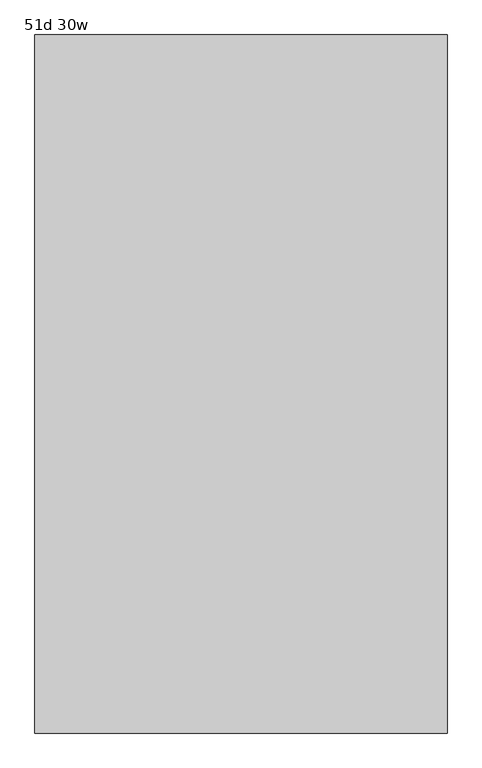
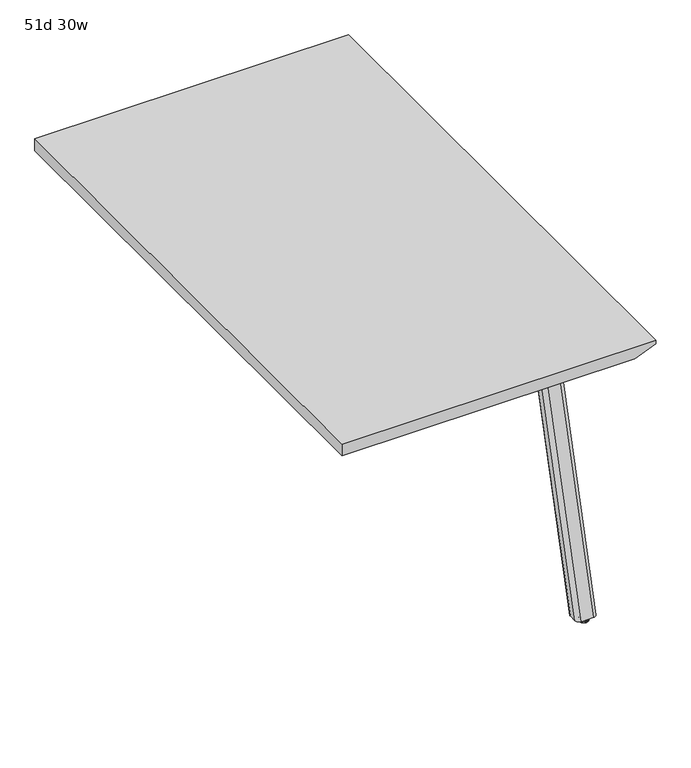
"""IFC4 building model written with IfcOpenShell, lengths in millimetres: furniture geometry, 51d 30w."""

from ifc_helpers import new_model, si_unit, point, frame, frame_2d, origin, place, context, project, spatial, polyline, circle_curve, ellipse_curve, trimmed, segment, composite_curve, outline, extrude, source, transform, mapped, element, save
from ifc_brep_helpers import plane_surface, cylinder_surface, revolved_surface, extruded_surface, advanced_brep


def furniture_51d_30w_7cb218d9(model_context):
    return source(origin(), model_context, "Body", "SolidModel", [
        extrude(outline(composite_curve([segment(polyline([(396.8908754, -1118.8587974), (504.0471246, -1118.8587974)]), True, "CONTINUOUS"), segment(trimmed(circle_curve(frame_2d((504.0471246, -1128.7806724)), 9.921875), [point((504.0471246, -1118.8587974))], [point((513.9689996, -1128.7806724))], False, "CARTESIAN"), True, "CONTINUOUS"), segment(polyline([(513.9689996, -1128.7806724), (513.9689996, -1210.5369163)]), True, "CONTINUOUS"), segment(trimmed(circle_curve(frame_2d((504.0471246, -1210.5369163)), 9.921875), [point((513.9689996, -1210.5369163))], [point((504.0471246, -1220.4587913))], False, "CARTESIAN"), True, "CONTINUOUS"), segment(polyline([(504.0471246, -1220.4587913), (396.8908754, -1220.4587913)]), True, "CONTINUOUS"), segment(trimmed(circle_curve(frame_2d((396.8908754, -1210.5369163)), 9.921875), [point((396.8908754, -1220.4587913))], [point((386.9690004, -1210.5369163))], False, "CARTESIAN"), True, "CONTINUOUS"), segment(polyline([(386.9690004, -1210.5369163), (386.9690004, -1128.7806724)]), True, "CONTINUOUS"), segment(trimmed(circle_curve(frame_2d((396.8908754, -1128.7806724)), 9.921875), [point((386.9690004, -1128.7806724))], [point((396.8908754, -1118.8587974))], False, "CARTESIAN"), True, "CONTINUOUS")], self_intersect=False)), frame((0.0, 0.0, 705.2055984), z_axis=(0.0, 0.0, 1.0), x_axis=(1.0, 0.0, 0.0)), (0.0, 0.0, 1.0), 5.9944016),
        advanced_brep(
        [(506.1270371, -1185.1941016, 705.2055984), (459.0729629, -1185.1941016, 705.2055984), (457.5809603, -1186.6861042, 705.2055984), (457.5809603, -1205.4969272, 705.2055984), (467.5028353, -1215.4188022, 705.2055984), (497.6971647, -1215.4188022, 705.2055984), (507.6190397, -1205.4969272, 705.2055984), (507.6190397, -1186.6861042, 705.2055984), (506.1270371, -1370.3899744, 10.7173168), (507.6190397, -1371.881977, 10.7173168), (507.6190397, -1391.5691016, 10.7173168), (497.6971647, -1401.4909766, 10.7173168), (467.5028353, -1401.4909766, 10.7173168), (457.5809603, -1391.5691016, 10.7173168), (457.5809603, -1371.881977, 10.7173168), (459.0729629, -1370.3899744, 10.7173168)],
        [
            (0, 1),
            (1, 2, circle_curve(frame((459.0729629, -1186.6861042, 705.2055984), z_axis=(0.0, 0.0, 1.0), x_axis=(-1.0, 0.0, 0.0)), 1.4920026)),
            (2, 3),
            (3, 4, circle_curve(frame((467.5028353, -1205.4969272, 705.2055984), z_axis=(0.0, 0.0, 1.0), x_axis=(-1.0, 0.0, 0.0)), 9.921875)),
            (4, 5),
            (5, 6, circle_curve(frame((497.6971647, -1205.4969272, 705.2055984), z_axis=(0.0, 0.0, 1.0), x_axis=(-1.0, 0.0, 0.0)), 9.921875)),
            (6, 7),
            (7, 0, circle_curve(frame((506.1270371, -1186.6861042, 705.2055984), z_axis=(0.0, 0.0, 1.0), x_axis=(-1.0, 0.0, 0.0)), 1.4920026)),
            (8, 9, circle_curve(frame((506.1270371, -1371.881977, 10.7173168), z_axis=(0.0, 0.0, -1.0), x_axis=(-1.0, 0.0, 0.0)), 1.4920026)),
            (9, 10),
            (10, 11, circle_curve(frame((497.6971647, -1391.5691016, 10.7173168), z_axis=(0.0, 0.0, -1.0), x_axis=(-1.0, 0.0, 0.0)), 9.921875)),
            (11, 12),
            (12, 13, circle_curve(frame((467.5028353, -1391.5691016, 10.7173168), z_axis=(0.0, 0.0, -1.0), x_axis=(-1.0, 0.0, 0.0)), 9.921875)),
            (13, 14),
            (14, 15, circle_curve(frame((459.0729629, -1371.881977, 10.7173168), z_axis=(0.0, 0.0, -1.0), x_axis=(-1.0, 0.0, 0.0)), 1.4920026)),
            (15, 8),
            (8, 0),
            (7, 9),
            (6, 10),
            (5, 11),
            (4, 12),
            (3, 13),
            (2, 14),
            (1, 15),
        ],
        [
            plane_surface(frame((482.6, -1198.1989838, 705.2055984), z_axis=(0.0, 0.0, 1.0), x_axis=(1.0, 0.0, 0.0))),
            plane_surface(frame((482.6, -1383.8330074, 10.7173168), z_axis=(0.0, 0.0, -1.0), x_axis=(1.0, 0.0, 0.0))),
            extruded_surface(trimmed(circle_curve(frame((506.1270371, -1186.6861042, 705.2055984), z_axis=(0.0, 0.0, -1.0), x_axis=(-1.0, 0.0, 0.0)), 1.4920026), [point((506.1270371, -1185.1941016, 705.2055984))], [point((507.6190397, -1186.6861042, 705.2055984))], True, "CARTESIAN"), (0.0, -185.19587279999996, -694.4882815999999), 718.7569022846839),
            plane_surface(frame((507.6190397, -1381.7255393, 10.7173168), z_axis=(1.0, 0.0, 0.0), x_axis=(0.0, -1.0, 0.0))),
            extruded_surface(trimmed(circle_curve(frame((497.6971647, -1205.4969272, 705.2055984), z_axis=(0.0, 0.0, -1.0), x_axis=(-1.0, 0.0, 0.0)), 9.921875), [point((507.6190397, -1205.4969272, 705.2055984))], [point((497.6971647, -1215.4188022, 705.2055984))], True, "CARTESIAN"), (0.0, -186.0721744, -694.4882815999999), 718.9831899047882),
            plane_surface(frame((482.6, -1401.4909766, 10.7173168), z_axis=(0.0, -0.9659311808061944, 0.2587990609456514), x_axis=(-1.0, 0.0, 0.0))),
            extruded_surface(trimmed(circle_curve(frame((467.5028353, -1205.4969272, 705.2055984), z_axis=(0.0, 0.0, -1.0), x_axis=(-1.0, 0.0, 0.0)), 9.921875), [point((467.5028353, -1215.4188022, 705.2055984))], [point((457.5809603, -1205.4969272, 705.2055984))], True, "CARTESIAN"), (0.0, -186.0721744, -694.4882815999999), 718.9831899047882),
            plane_surface(frame((457.5809603, -1381.7255393, 10.7173168), z_axis=(-1.0, 0.0, 0.0), x_axis=(0.0, 1.0, 0.0))),
            extruded_surface(trimmed(circle_curve(frame((459.0729629, -1186.6861042, 705.2055984), z_axis=(0.0, 0.0, -1.0), x_axis=(-1.0, 0.0, 0.0)), 1.4920026), [point((457.5809603, -1186.6861042, 705.2055984))], [point((459.0729629, -1185.1941016, 705.2055984))], True, "CARTESIAN"), (0.0, -185.19587279999996, -694.4882815999999), 718.7569022846839),
            plane_surface(frame((482.6, -1370.3899744, 10.7173168), z_axis=(0.0, 0.9662352867758855, -0.2576613486519124), x_axis=(1.0, 0.0, 0.0))),
        ],
        [
            (0, [[1, 2, 3, 4, 5, 6, 7, 8]]),
            (1, [[9, 10, 11, 12, 13, 14, 15, 16]]),
            (2, [[17, -8, 18, -9]]),
            (3, [[-18, -7, 19, -10]]),
            (4, [[-19, -6, 20, -11]]),
            (5, [[-20, -5, 21, -12]]),
            (6, [[-21, -4, 22, -13]]),
            (7, [[-22, -3, 23, -14]]),
            (8, [[-23, -2, 24, -15]]),
            (9, [[-24, -1, -17, -16]]),
        ],
    ),
        advanced_brep(
        [(486.5999739, -1385.6159766, 35.0000007), (482.6, -1385.6159766, 35.0000007), (478.6000261, -1385.6159766, 35.0000007), (486.5999739, -1385.6159766, 5.0000003), (478.6000261, -1385.6159766, 5.0000003), (492.8062326, -1385.6159766, 5.0000003), (472.3937674, -1385.6159766, 5.0000003), (493.5999826, -1385.6159766, 4.2062503), (471.6000174, -1385.6159766, 4.2062503), (493.5999826, -1385.6159766, 0.79375), (471.6000174, -1385.6159766, 0.79375), (492.8062326, -1385.6159766, 0.0), (472.3937674, -1385.6159766, 0.0), (482.6, -1385.6159766, 0.0)],
        [
            (0, 1),
            (1, 2),
            (2, 0, circle_curve(frame((482.6, -1385.6159766, 35.0000007), z_axis=(0.0, 0.0, 1.0), x_axis=(-1.0000000000000004, 0.0, 0.0)), 3.9999739)),
            (0, 2, circle_curve(frame((482.6, -1385.6159766, 35.0000007), z_axis=(0.0, 0.0, 1.0), x_axis=(-1.0000000000000004, 0.0, 0.0)), 3.9999739)),
            (3, 0),
            (2, 4),
            (4, 3, circle_curve(frame((482.6, -1385.6159766, 5.0000003), z_axis=(0.0, 0.0, 1.0), x_axis=(-1.0000000000000004, 0.0, 0.0)), 3.9999739)),
            (3, 4, circle_curve(frame((482.6, -1385.6159766, 5.0000003), z_axis=(0.0, 0.0, 1.0), x_axis=(-1.0000000000000004, 0.0, 0.0)), 3.9999739)),
            (5, 3),
            (4, 6),
            (6, 5, circle_curve(frame((482.6, -1385.6159766, 5.0000003), z_axis=(0.0, 0.0, 1.0), x_axis=(-1.0000000000000004, 0.0, 0.0)), 10.2062326)),
            (5, 6, circle_curve(frame((482.6, -1385.6159766, 5.0000003), z_axis=(0.0, 0.0, 1.0), x_axis=(-1.0000000000000004, 0.0, 0.0)), 10.2062326)),
            (7, 5, circle_curve(frame((492.8062326, -1385.6159766, 4.2062503), z_axis=(0.0, -1.0000000000000004, 0.0), x_axis=(0.0, 0.0, -1.0)), 0.79375)),
            (6, 8, circle_curve(frame((472.3937674, -1385.6159766, 4.2062503), z_axis=(0.0, -1.0000000000000004, 0.0), x_axis=(0.0, 0.0, -1.0)), 0.79375)),
            (8, 7, circle_curve(frame((482.6, -1385.6159766, 4.2062503), z_axis=(0.0, 0.0, 1.0), x_axis=(-1.0000000000000004, 0.0, 0.0)), 10.9999826)),
            (7, 8, circle_curve(frame((482.6, -1385.6159766, 4.2062503), z_axis=(0.0, 0.0, 1.0), x_axis=(-1.0000000000000004, 0.0, 0.0)), 10.9999826)),
            (9, 7),
            (8, 10),
            (10, 9, circle_curve(frame((482.6, -1385.6159766, 0.79375), z_axis=(0.0, 0.0, 1.0), x_axis=(-1.0000000000000004, 0.0, 0.0)), 10.9999826)),
            (9, 10, circle_curve(frame((482.6, -1385.6159766, 0.79375), z_axis=(0.0, 0.0, 1.0), x_axis=(-1.0000000000000004, 0.0, 0.0)), 10.9999826)),
            (11, 9, circle_curve(frame((492.8062326, -1385.6159766, 0.79375), z_axis=(0.0, -1.0000000000000004, 0.0), x_axis=(0.0, 0.0, -1.0)), 0.79375)),
            (10, 12, circle_curve(frame((472.3937674, -1385.6159766, 0.79375), z_axis=(0.0, -1.0000000000000004, 0.0), x_axis=(0.0, 0.0, -1.0)), 0.79375)),
            (12, 11, circle_curve(frame((482.6, -1385.6159766, 0.0), z_axis=(0.0, 0.0, 1.0), x_axis=(-1.0000000000000004, 0.0, 0.0)), 10.2062326)),
            (11, 12, circle_curve(frame((482.6, -1385.6159766, 0.0), z_axis=(0.0, 0.0, 1.0), x_axis=(-1.0000000000000004, 0.0, 0.0)), 10.2062326)),
            (13, 11),
            (12, 13),
        ],
        [
            plane_surface(frame((482.6, -1385.6159766, 35.0000007), z_axis=(0.0, 0.0, 1.0), x_axis=(-1.0, 0.0, 0.0))),
            cylinder_surface(frame((482.6, -1385.6159766, 52.3860264), z_axis=(0.0, 0.0, -1.0), x_axis=(-1.0000000000000004, 0.0, 0.0)), 3.9999739),
            plane_surface(frame((482.6, -1385.6159766, 5.0000003), z_axis=(0.0, 0.0, 1.0), x_axis=(-1.0, 0.0, 0.0))),
            revolved_surface(trimmed(ellipse_curve(frame((472.3937674, -1385.6159766, 4.2062503), z_axis=(0.0, -1.0000000000000004, 0.0), x_axis=(0.0, 0.0, -1.0)), 0.79375, 0.79375), [point((472.3937674, -1385.6159766, 5.0000003))], [point((471.6000174, -1385.6159766, 4.2062503))], True, "CARTESIAN"), (482.6, -1385.6159766, 52.3860264), (0.0, 0.0, -1.0)),
            cylinder_surface(frame((482.6, -1385.6159766, 52.3860264), z_axis=(0.0, 0.0, -1.0), x_axis=(-1.0000000000000004, 0.0, 0.0)), 10.9999826),
            revolved_surface(trimmed(ellipse_curve(frame((472.3937674, -1385.6159766, 0.79375), z_axis=(0.0, -1.0000000000000004, 0.0), x_axis=(0.0, 0.0, -1.0)), 0.79375, 0.79375), [point((471.6000174, -1385.6159766, 0.79375))], [point((472.3937674, -1385.6159766, 0.0))], True, "CARTESIAN"), (482.6, -1385.6159766, 52.3860264), (0.0, 0.0, -1.0)),
            plane_surface(frame((482.6, -1385.6159766, 0.0), z_axis=(0.0, 0.0, -1.0), x_axis=(-1.0, 0.0, 0.0))),
        ],
        [
            (0, [[1, 2, 3]]),
            (0, [[-2, -1, 4]]),
            (1, [[5, -3, 6, 7]]),
            (1, [[-6, -4, -5, 8]]),
            (2, [[9, -7, 10, 11]]),
            (2, [[-10, -8, -9, 12]]),
            (3, [[13, -11, 14, 15]]),
            (3, [[-14, -12, -13, 16]]),
            (4, [[17, -15, 18, 19]]),
            (4, [[-18, -16, -17, 20]]),
            (5, [[21, -19, 22, 23]]),
            (5, [[-22, -20, -21, 24]]),
            (6, [[25, -23, 26]]),
            (6, [[-26, -24, -25]]),
        ],
    ),
        extrude(outline(composite_curve([segment(trimmed(circle_curve(frame_2d((396.8908754, -561.3637807)), 9.921875), [point((396.8908754, -571.2856557))], [point((386.9690004, -561.3637807))], False, "CARTESIAN"), True, "CONTINUOUS"), segment(polyline([(386.9690004, -561.3637807), (386.9690004, -479.6075368)]), True, "CONTINUOUS"), segment(trimmed(circle_curve(frame_2d((396.8908754, -479.6075368)), 9.921875), [point((386.9690004, -479.6075368))], [point((396.8908754, -469.6856618))], False, "CARTESIAN"), True, "CONTINUOUS"), segment(polyline([(396.8908754, -469.6856618), (504.0471246, -469.6856618)]), True, "CONTINUOUS"), segment(trimmed(circle_curve(frame_2d((504.0471246, -479.6075368)), 9.921875), [point((504.0471246, -469.6856618))], [point((513.9689996, -479.6075368))], False, "CARTESIAN"), True, "CONTINUOUS"), segment(polyline([(513.9689996, -479.6075368), (513.9689996, -561.3637807)]), True, "CONTINUOUS"), segment(trimmed(circle_curve(frame_2d((504.0471246, -561.3637807)), 9.921875), [point((513.9689996, -561.3637807))], [point((504.0471246, -571.2856557))], False, "CARTESIAN"), True, "CONTINUOUS"), segment(polyline([(504.0471246, -571.2856557), (396.8908754, -571.2856557)]), True, "CONTINUOUS")], self_intersect=False)), frame((0.0, 0.0, 705.2055984), z_axis=(0.0, 0.0, 1.0), x_axis=(1.0, 0.0, 0.0)), (0.0, 0.0, 1.0), 5.9944016),
        advanced_brep(
        [(506.1270371, -504.9503516, 705.2055984), (507.6190397, -503.4583489, 705.2055984), (507.6190397, -484.6475259, 705.2055984), (497.6971647, -474.7256509, 705.2055984), (467.5028353, -474.7256509, 705.2055984), (457.5809603, -484.6475259, 705.2055984), (457.5809603, -503.4583489, 705.2055984), (459.0729629, -504.9503516, 705.2055984), (506.1270371, -319.7544788, 10.7173168), (459.0729629, -319.7544788, 10.7173168), (457.5809603, -318.2624761, 10.7173168), (457.5809603, -298.5753516, 10.7173168), (467.5028353, -288.6534766, 10.7173168), (497.6971647, -288.6534766, 10.7173168), (507.6190397, -298.5753516, 10.7173168), (507.6190397, -318.2624761, 10.7173168)],
        [
            (0, 1, circle_curve(frame((506.1270371, -503.4583489, 705.2055984), z_axis=(0.0, 0.0, 1.0), x_axis=(-1.0, 0.0, 0.0)), 1.4920026)),
            (1, 2),
            (2, 3, circle_curve(frame((497.6971647, -484.6475259, 705.2055984), z_axis=(0.0, 0.0, 1.0), x_axis=(-1.0, 0.0, 0.0)), 9.921875)),
            (3, 4),
            (4, 5, circle_curve(frame((467.5028353, -484.6475259, 705.2055984), z_axis=(0.0, 0.0, 1.0), x_axis=(-1.0, 0.0, 0.0)), 9.921875)),
            (5, 6),
            (6, 7, circle_curve(frame((459.0729629, -503.4583489, 705.2055984), z_axis=(0.0, 0.0, 1.0), x_axis=(-1.0, 0.0, 0.0)), 1.4920026)),
            (7, 0),
            (8, 9),
            (9, 10, circle_curve(frame((459.0729629, -318.2624761, 10.7173168), z_axis=(0.0, 0.0, -1.0), x_axis=(-1.0, 0.0, 0.0)), 1.4920026)),
            (10, 11),
            (11, 12, circle_curve(frame((467.5028353, -298.5753516, 10.7173168), z_axis=(0.0, 0.0, -1.0), x_axis=(-1.0, 0.0, 0.0)), 9.921875)),
            (12, 13),
            (13, 14, circle_curve(frame((497.6971647, -298.5753516, 10.7173168), z_axis=(0.0, 0.0, -1.0), x_axis=(-1.0, 0.0, 0.0)), 9.921875)),
            (14, 15),
            (15, 8, circle_curve(frame((506.1270371, -318.2624761, 10.7173168), z_axis=(0.0, 0.0, -1.0), x_axis=(-1.0, 0.0, 0.0)), 1.4920026)),
            (15, 1),
            (0, 8),
            (14, 2),
            (13, 3),
            (12, 4),
            (11, 5),
            (10, 6),
            (9, 7),
        ],
        [
            plane_surface(frame((482.6, -491.9454693, 705.2055984), z_axis=(0.0, 0.0, 1.0), x_axis=(1.0, 0.0, 0.0))),
            plane_surface(frame((482.6, -306.3114458, 10.7173168), z_axis=(0.0, 0.0, -1.0), x_axis=(1.0, 0.0, 0.0))),
            extruded_surface(trimmed(circle_curve(frame((506.1270371, -318.2624761, 10.7173168), z_axis=(0.0, 0.0, 1.0), x_axis=(-1.0, 0.0, 0.0)), 1.4920026), [point((506.1270371, -319.7544788, 10.7173168))], [point((507.6190397, -318.2624761, 10.7173168))], True, "CARTESIAN"), (0.0, -185.19587279999996, 694.4882815999999), 718.7569022846839),
            plane_surface(frame((507.6190397, -308.4189138, 10.7173168), z_axis=(1.0, 0.0, 0.0), x_axis=(0.0, 1.0, 0.0))),
            extruded_surface(trimmed(circle_curve(frame((497.6971647, -298.5753516, 10.7173168), z_axis=(0.0, 0.0, 1.0), x_axis=(-1.0, 0.0, 0.0)), 9.921875), [point((507.6190397, -298.5753516, 10.7173168))], [point((497.6971647, -288.6534766, 10.7173168))], True, "CARTESIAN"), (0.0, -186.07217430000003, 694.4882815999999), 718.9831898789083),
            plane_surface(frame((482.6, -288.6534766, 10.7173168), z_axis=(0.0, 0.9659311808061944, 0.2587990609456514), x_axis=(-1.0, 0.0, 0.0))),
            extruded_surface(trimmed(circle_curve(frame((467.5028353, -298.5753516, 10.7173168), z_axis=(0.0, 0.0, 1.0), x_axis=(-1.0, 0.0, 0.0)), 9.921875), [point((467.5028353, -288.6534766, 10.7173168))], [point((457.5809603, -298.5753516, 10.7173168))], True, "CARTESIAN"), (0.0, -186.07217430000003, 694.4882815999999), 718.9831898789083),
            plane_surface(frame((457.5809603, -308.4189138, 10.7173168), z_axis=(-1.0, 0.0, 0.0), x_axis=(0.0, -1.0, 0.0))),
            extruded_surface(trimmed(circle_curve(frame((459.0729629, -318.2624761, 10.7173168), z_axis=(0.0, 0.0, 1.0), x_axis=(-1.0, 0.0, 0.0)), 1.4920026), [point((457.5809603, -318.2624761, 10.7173168))], [point((459.0729629, -319.7544788, 10.7173168))], True, "CARTESIAN"), (0.0, -185.19587279999996, 694.4882815999999), 718.7569022846839),
            plane_surface(frame((482.6, -319.7544788, 10.7173168), z_axis=(0.0, -0.9662352867758855, -0.2576613486519124), x_axis=(1.0, 0.0, 0.0))),
        ],
        [
            (0, [[1, 2, 3, 4, 5, 6, 7, 8]]),
            (1, [[9, 10, 11, 12, 13, 14, 15, 16]]),
            (2, [[-16, 17, -1, 18]]),
            (3, [[-15, 19, -2, -17]]),
            (4, [[-14, 20, -3, -19]]),
            (5, [[-13, 21, -4, -20]]),
            (6, [[-12, 22, -5, -21]]),
            (7, [[-11, 23, -6, -22]]),
            (8, [[-10, 24, -7, -23]]),
            (9, [[-9, -18, -8, -24]]),
        ],
    ),
        advanced_brep(
        [(486.5999739, -304.5284766, 35.0000007), (478.6000261, -304.5284766, 35.0000007), (482.6, -304.5284766, 35.0000007), (486.5999739, -304.5284766, 5.0000003), (478.6000261, -304.5284766, 5.0000003), (492.8062326, -304.5284766, 5.0000003), (472.3937674, -304.5284766, 5.0000003), (493.5999826, -304.5284766, 4.2062503), (471.6000174, -304.5284766, 4.2062503), (493.5999826, -304.5284766, 0.79375), (471.6000174, -304.5284766, 0.79375), (492.8062326, -304.5284766, 0.0), (472.3937674, -304.5284766, 0.0), (482.6, -304.5284766, 0.0)],
        [
            (0, 1, circle_curve(frame((482.6, -304.5284766, 35.0000007), z_axis=(0.0, 0.0, 1.0), x_axis=(-1.0000000000000004, 0.0, 0.0)), 3.9999739)),
            (1, 2),
            (2, 0),
            (1, 0, circle_curve(frame((482.6, -304.5284766, 35.0000007), z_axis=(0.0, 0.0, 1.0), x_axis=(-1.0000000000000004, 0.0, 0.0)), 3.9999739)),
            (3, 4, circle_curve(frame((482.6, -304.5284766, 5.0000003), z_axis=(0.0, 0.0, 1.0), x_axis=(-1.0000000000000004, 0.0, 0.0)), 3.9999739)),
            (4, 1),
            (0, 3),
            (4, 3, circle_curve(frame((482.6, -304.5284766, 5.0000003), z_axis=(0.0, 0.0, 1.0), x_axis=(-1.0000000000000004, 0.0, 0.0)), 3.9999739)),
            (5, 6, circle_curve(frame((482.6, -304.5284766, 5.0000003), z_axis=(0.0, 0.0, 1.0), x_axis=(-1.0000000000000004, 0.0, 0.0)), 10.2062326)),
            (6, 4),
            (3, 5),
            (6, 5, circle_curve(frame((482.6, -304.5284766, 5.0000003), z_axis=(0.0, 0.0, 1.0), x_axis=(-1.0000000000000004, 0.0, 0.0)), 10.2062326)),
            (7, 8, circle_curve(frame((482.6, -304.5284766, 4.2062503), z_axis=(0.0, 0.0, 1.0), x_axis=(-1.0000000000000004, 0.0, 0.0)), 10.9999826)),
            (8, 6, circle_curve(frame((472.3937674, -304.5284766, 4.2062503), z_axis=(0.0, 1.0000000000000004, 0.0), x_axis=(0.0, 0.0, -1.0)), 0.79375)),
            (5, 7, circle_curve(frame((492.8062326, -304.5284766, 4.2062503), z_axis=(0.0, 1.0000000000000004, 0.0), x_axis=(0.0, 0.0, -1.0)), 0.79375)),
            (8, 7, circle_curve(frame((482.6, -304.5284766, 4.2062503), z_axis=(0.0, 0.0, 1.0), x_axis=(-1.0000000000000004, 0.0, 0.0)), 10.9999826)),
            (9, 10, circle_curve(frame((482.6, -304.5284766, 0.79375), z_axis=(0.0, 0.0, 1.0), x_axis=(-1.0000000000000004, 0.0, 0.0)), 10.9999826)),
            (10, 8),
            (7, 9),
            (10, 9, circle_curve(frame((482.6, -304.5284766, 0.79375), z_axis=(0.0, 0.0, 1.0), x_axis=(-1.0000000000000004, 0.0, 0.0)), 10.9999826)),
            (11, 12, circle_curve(frame((482.6, -304.5284766, 0.0), z_axis=(0.0, 0.0, 1.0), x_axis=(-1.0000000000000004, 0.0, 0.0)), 10.2062326)),
            (12, 10, circle_curve(frame((472.3937674, -304.5284766, 0.79375), z_axis=(0.0, 1.0000000000000004, 0.0), x_axis=(0.0, 0.0, -1.0)), 0.79375)),
            (9, 11, circle_curve(frame((492.8062326, -304.5284766, 0.79375), z_axis=(0.0, 1.0000000000000004, 0.0), x_axis=(0.0, 0.0, -1.0)), 0.79375)),
            (12, 11, circle_curve(frame((482.6, -304.5284766, 0.0), z_axis=(0.0, 0.0, 1.0), x_axis=(-1.0000000000000004, 0.0, 0.0)), 10.2062326)),
            (13, 12),
            (11, 13),
        ],
        [
            plane_surface(frame((482.6, -304.5284766, 35.0000007), z_axis=(0.0, 0.0, 1.0), x_axis=(-1.0, 0.0, 0.0))),
            cylinder_surface(frame((482.6, -304.5284766, 52.3860264), z_axis=(0.0, 0.0, -1.0), x_axis=(-1.0000000000000004, 0.0, 0.0)), 3.9999739),
            plane_surface(frame((482.6, -304.5284766, 5.0000003), z_axis=(0.0, 0.0, 1.0), x_axis=(-1.0, 0.0, 0.0))),
            revolved_surface(trimmed(ellipse_curve(frame((472.3937674, -304.5284766, 4.2062503), z_axis=(0.0, -1.0000000000000004, 0.0), x_axis=(0.0, 0.0, -1.0)), 0.79375, 0.79375), [point((472.3937674, -304.5284766, 5.0000003))], [point((471.6000174, -304.5284766, 4.2062503))], True, "CARTESIAN"), (482.6, -304.5284766, 52.3860264), (0.0, 0.0, -1.0)),
            cylinder_surface(frame((482.6, -304.5284766, 52.3860264), z_axis=(0.0, 0.0, -1.0), x_axis=(-1.0000000000000004, 0.0, 0.0)), 10.9999826),
            revolved_surface(trimmed(ellipse_curve(frame((472.3937674, -304.5284766, 0.79375), z_axis=(0.0, -1.0000000000000004, 0.0), x_axis=(0.0, 0.0, -1.0)), 0.79375, 0.79375), [point((471.6000174, -304.5284766, 0.79375))], [point((472.3937674, -304.5284766, 0.0))], True, "CARTESIAN"), (482.6, -304.5284766, 52.3860264), (0.0, 0.0, -1.0)),
            plane_surface(frame((482.6, -304.5284766, 0.0), z_axis=(0.0, 0.0, -1.0), x_axis=(-1.0, 0.0, 0.0))),
        ],
        [
            (0, [[1, 2, 3]]),
            (0, [[4, -3, -2]]),
            (1, [[5, 6, -1, 7]]),
            (1, [[8, -7, -4, -6]]),
            (2, [[9, 10, -5, 11]]),
            (2, [[12, -11, -8, -10]]),
            (3, [[13, 14, -9, 15]]),
            (3, [[16, -15, -12, -14]]),
            (4, [[17, 18, -13, 19]]),
            (4, [[20, -19, -16, -18]]),
            (5, [[21, 22, -17, 23]]),
            (5, [[24, -23, -20, -22]]),
            (6, [[25, -21, 26]]),
            (6, [[-26, -24, -25]]),
        ],
    ),
        extrude(outline(polyline([(741.3625, 596.9), (741.3625, -165.1), (711.2, -165.1), (711.2, 546.1), (731.8375, 596.9), (741.3625, 596.9)])), frame((0.0, -1490.3909766, 0.0), z_axis=(0.0, 1.0, 0.0), x_axis=(0.0, 0.0, 1.0)), (0.0, 0.0, 1.0), 1290.6375),
    ])


if __name__ == "__main__":
    model = new_model("IFC4")
    model_context = context("Model", 3, world=origin())
    ifc_project = project(units=[si_unit("LENGTHUNIT", "METRE", prefix="MILLI")], contexts=[model_context])
    site = spatial("IfcSite", under=ifc_project)
    building = spatial("IfcBuilding", under=site)
    placement = place(None, origin())
    furniture_51d_30w_shape = furniture_51d_30w_7cb218d9(model_context)
    element("IfcFurniture", 1, ObjectType="51d 30w", at=placement, inside=building, context=model_context, shape_type="MappedRepresentation", body=[
        mapped(furniture_51d_30w_shape, transform((0.0, 0.0, 0.0), x_axis=(1.0, 0.0, 0.0), y_axis=(0.0, 1.0, 0.0), z_axis=(0.0, 0.0, 1.0))),
    ])
    save(model, "model.ifc")
